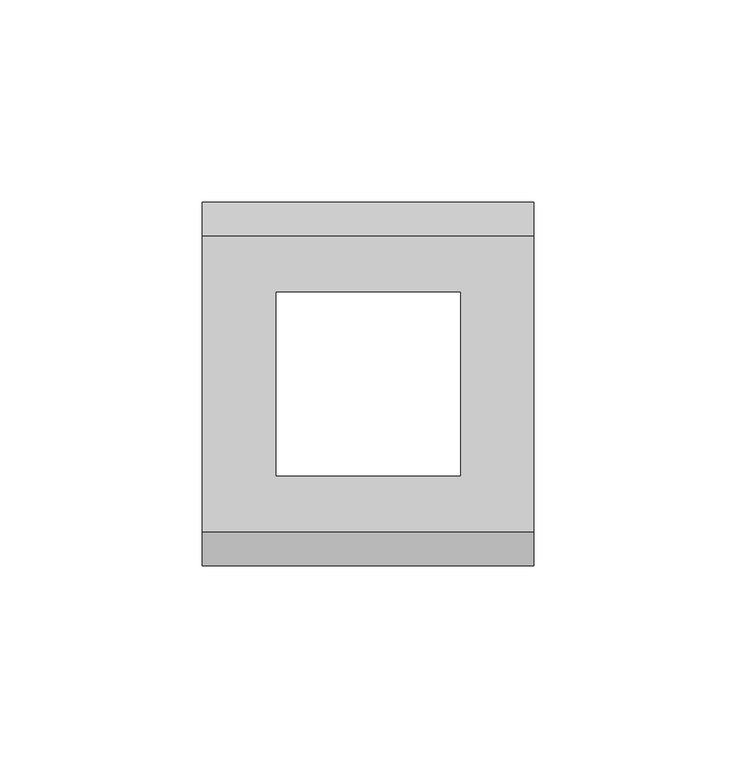
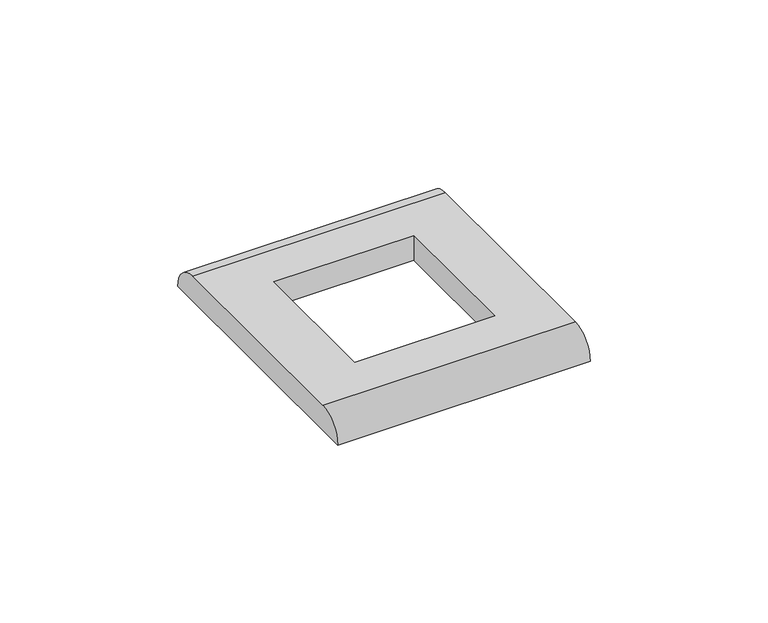
"""IFC4 building model written with IfcOpenShell, lengths in millimetres: proxy geometry."""

from ifc_helpers import new_model, si_unit, frame, origin, place, context, project, spatial, circle_curve, source, transform, mapped, element, save
from ifc_brep_helpers import plane_surface, cylinder_surface, advanced_brep


def electrical_fixtures_c7c8cc5e(model_context):
    return source(origin(), model_context, "Body", "AdvancedBrep", [
        advanced_brep(
        [(41.0, 36.5, 8.5), (-41.0, 36.5, 8.5), (-41.0, -36.5, 8.5), (41.0, -36.5, 8.5), (-22.6858553, 22.75, 8.5), (22.8141447, 22.75, 8.5), (22.8141447, -22.75, 8.5), (-22.6858553, -22.75, 8.5), (41.0, 45.0, 0.0), (41.0, -45.0, 0.0), (-41.0, -45.0, 0.0), (-41.0, 45.0, 0.0), (22.8141447, 22.75, 0.0), (-22.6858553, 22.75, 0.0), (-22.6858553, -22.75, 0.0), (22.8141447, -22.75, 0.0)],
        [
            (0, 1),
            (1, 2),
            (2, 3),
            (3, 0),
            (4, 5),
            (5, 6),
            (6, 7),
            (7, 4),
            (8, 9),
            (9, 10),
            (10, 11),
            (11, 8),
            (12, 13),
            (13, 14),
            (14, 15),
            (15, 12),
            (10, 2, circle_curve(frame((-41.0, -36.5, 0.0), z_axis=(-1.0, 0.0, 0.0), x_axis=(0.0, 1.0, 0.0)), 8.5)),
            (1, 11, circle_curve(frame((-41.0, 36.5, 0.0), z_axis=(-1.0, 0.0, 0.0), x_axis=(0.0, -1.0, 0.0)), 8.5)),
            (8, 0, circle_curve(frame((41.0, 36.5, 0.0), z_axis=(1.0, 0.0, 0.0), x_axis=(0.0, -1.0, 0.0)), 8.5)),
            (3, 9, circle_curve(frame((41.0, -36.5, 0.0), z_axis=(1.0, 0.0, 0.0), x_axis=(0.0, 1.0, 0.0)), 8.5)),
            (12, 5),
            (4, 13),
            (7, 14),
            (6, 15),
        ],
        [
            plane_surface(frame((-41.0, 37.0, 8.5), z_axis=(0.0, 0.0, 1.0), x_axis=(0.0, -1.0, 0.0))),
            plane_surface(frame((-41.0, 37.0, 0.0), z_axis=(0.0, 0.0, -1.0), x_axis=(0.0, 1.0, 0.0))),
            plane_surface(frame((-41.0, 45.0, 8.5), z_axis=(-1.0, 0.0, 0.0), x_axis=(0.0, 0.0, -1.0))),
            plane_surface(frame((41.0, -45.0, 8.5), z_axis=(1.0, 0.0, 0.0), x_axis=(0.0, 0.0, -1.0))),
            plane_surface(frame((22.8141447, 22.75, 30.0), z_axis=(0.0, -1.0, 0.0), x_axis=(0.0, 0.0, -1.0))),
            plane_surface(frame((-22.6858553, 22.75, 30.0), z_axis=(1.0, 0.0, 0.0), x_axis=(0.0, 0.0, -1.0))),
            plane_surface(frame((-22.6858553, -22.75, 30.0), z_axis=(0.0, 1.0, 0.0), x_axis=(0.0, 0.0, -1.0))),
            plane_surface(frame((22.8141447, -22.75, 30.0), z_axis=(-1.0, 0.0, 0.0), x_axis=(0.0, 0.0, -1.0))),
            cylinder_surface(frame((41.0, 36.5, 0.0), z_axis=(-1.0, 0.0, 0.0), x_axis=(0.0, -1.0, 0.0)), 8.5),
            cylinder_surface(frame((41.0, -36.5, 0.0), z_axis=(-1.0, 0.0, 0.0), x_axis=(0.0, 1.0, 0.0)), 8.5),
        ],
        [
            (0, [[1, 2, 3, 4], [5, 6, 7, 8]]),
            (1, [[9, 10, 11, 12], [13, 14, 15, 16]]),
            (2, [[-11, 17, -2, 18]]),
            (3, [[-9, 19, -4, 20]]),
            (4, [[21, -5, 22, -13]]),
            (5, [[-22, -8, 23, -14]]),
            (6, [[-23, -7, 24, -15]]),
            (7, [[-21, -16, -24, -6]]),
            (8, [[-1, -19, -12, -18]]),
            (9, [[-3, -17, -10, -20]]),
        ],
    ),
    ])


if __name__ == "__main__":
    model = new_model("IFC4")
    model_context = context("Model", 3, world=origin())
    ifc_project = project(units=[si_unit("LENGTHUNIT", "METRE", prefix="MILLI")], contexts=[model_context])
    site = spatial("IfcSite", under=ifc_project)
    building = spatial("IfcBuilding", under=site)
    placement = place(None, origin())
    electrical_fixtures_shape = electrical_fixtures_c7c8cc5e(model_context)
    element("IfcBuildingElementProxy", 1, Name="Electrical Fixtures", at=placement, inside=building, context=model_context, shape_type="MappedRepresentation", body=[
        mapped(electrical_fixtures_shape, transform((0.0, 0.0, 0.0), x_axis=(1.0, 0.0, 0.0), y_axis=(0.0, 1.0, 0.0), z_axis=(0.0, 0.0, 1.0))),
    ])
    save(model, "model.ifc")
